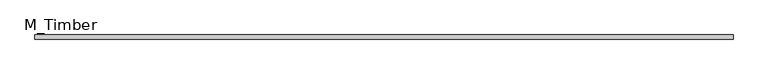
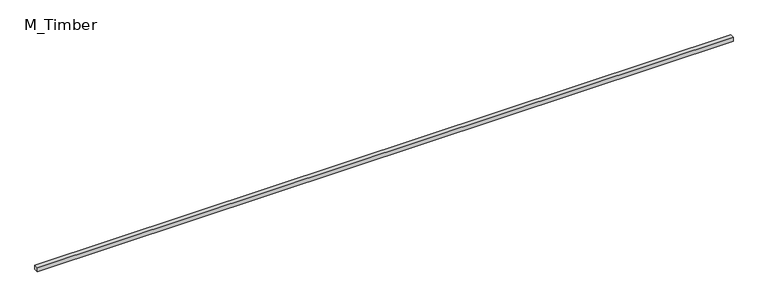
"""IFC4 building model written with IfcOpenShell, lengths in millimetres: beam geometry, M_Timber."""

from ifc_helpers import new_model, si_unit, frame, origin, place, context, project, spatial, polyline, outline, extrude, source, transform, mapped, element, save


def m_timber_b19f9494(model_context):
    return source(origin(), model_context, "Body", "SweptSolid", [
        extrude(outline(polyline([(3358.0892962, 20.0), (3358.0892962, -20.0), (-3358.0892962, -20.0), (-3358.0892962, 20.0), (3358.0892962, 20.0)])), frame((0.0, 0.0, -20.0), z_axis=(0.0, 0.0, 1.0), x_axis=(1.0, 0.0, 0.0)), (0.0, 0.0, 1.0), 40.0),
    ])


if __name__ == "__main__":
    model = new_model("IFC4")
    model_context = context("Model", 3, world=origin())
    ifc_project = project(units=[si_unit("LENGTHUNIT", "METRE", prefix="MILLI")], contexts=[model_context])
    site = spatial("IfcSite", under=ifc_project)
    building = spatial("IfcBuilding", under=site)
    placement = place(None, origin())
    m_timber_shape = m_timber_b19f9494(model_context)
    element("IfcBeam", 1, ObjectType="M_Timber", at=placement, inside=building, context=model_context, shape_type="MappedRepresentation", body=[
        mapped(m_timber_shape, transform((0.0, 0.0, 0.0), x_axis=(1.0, 0.0, 0.0), y_axis=(0.0, 1.0, 0.0), z_axis=(0.0, 0.0, 1.0))),
    ])
    save(model, "model.ifc")
